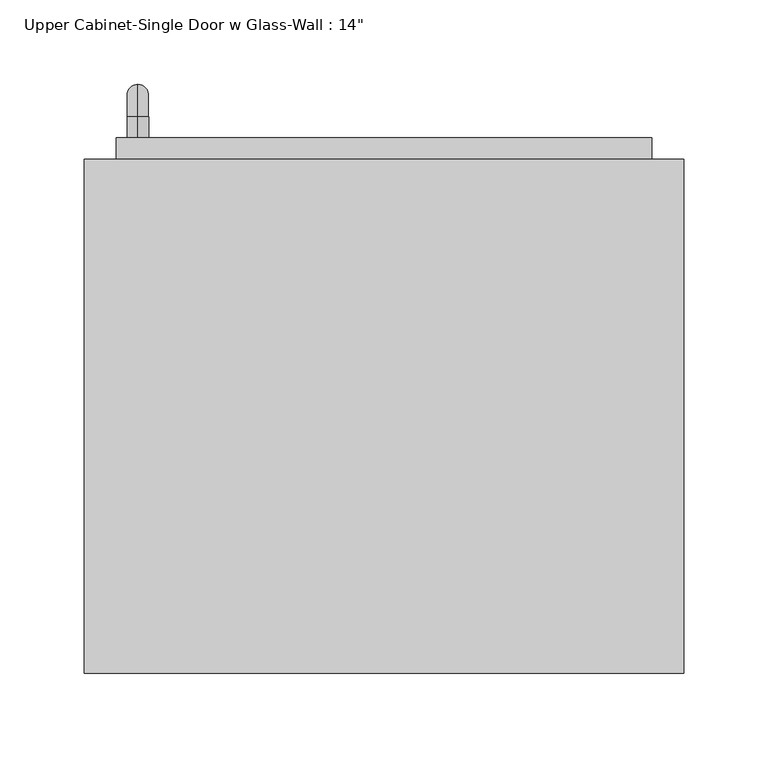
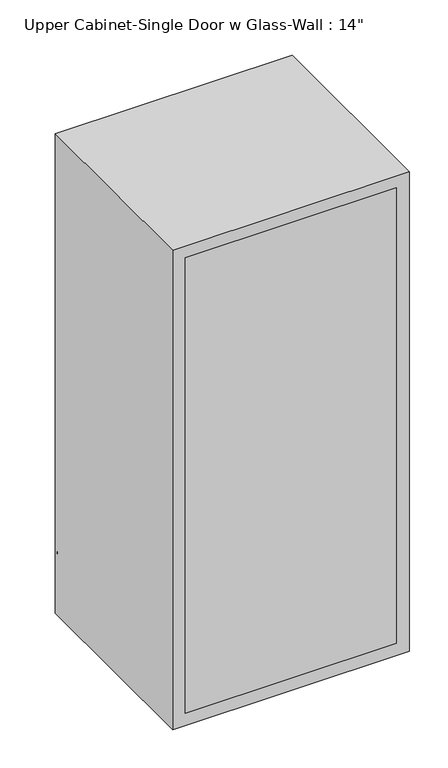
"""IFC4 building model written with IfcOpenShell, lengths in millimetres: furniture geometry."""

from ifc_helpers import new_model, si_unit, point, frame, origin, place, context, project, spatial, polyline, circle_curve, ellipse_curve, trimmed, outline, extrude, source, transform, mapped, element, save
from ifc_brep_helpers import plane_surface, cylinder_surface, revolved_surface, advanced_brep


def furniture_8da2b1da(model_context):
    return source(origin(), model_context, "Body", "SolidModel", [
        advanced_brep(
        [(-116.2788372, 387.35, 1517.65), (-116.2788372, 387.35, 1530.35), (-116.2788372, 400.05, 1517.65), (-116.2788372, 400.05, 1530.35), (-116.2788372, 419.1, 1511.3), (-116.2788372, 406.4, 1511.3), (-116.2788372, 406.4, 1435.1), (-116.2788372, 419.1, 1435.1), (-116.2788372, 400.05, 1416.05), (-116.2788372, 400.05, 1428.75), (-116.2788372, 387.35, 1428.75), (-116.2788372, 387.35, 1416.05)],
        [
            (0, 1, circle_curve(frame((-116.2788372, 387.35, 1524.0), z_axis=(0.0, -1.0, 0.0), x_axis=(0.0, 0.0, 1.0)), 6.35)),
            (1, 0, circle_curve(frame((-116.2788372, 387.35, 1524.0), z_axis=(0.0, -1.0, 0.0), x_axis=(0.0, 0.0, 1.0)), 6.35)),
            (0, 2),
            (2, 3, circle_curve(frame((-116.2788372, 400.05, 1524.0), z_axis=(0.0, -1.0, 0.0), x_axis=(0.0, 0.0, 1.0)), 6.35)),
            (3, 1),
            (3, 2, circle_curve(frame((-116.2788372, 400.05, 1524.0), z_axis=(0.0, -1.0, 0.0), x_axis=(0.0, 0.0, 1.0)), 6.35)),
            (4, 3, circle_curve(frame((-116.2788372, 400.05, 1511.3), z_axis=(1.0, 0.0, 0.0), x_axis=(0.0, 0.0, 1.0)), 19.05)),
            (2, 5, circle_curve(frame((-116.2788372, 400.05, 1511.3), z_axis=(-1.0, 0.0, 0.0), x_axis=(0.0, 0.0, 1.0)), 6.35)),
            (5, 4, circle_curve(frame((-116.2788372, 412.75, 1511.3), z_axis=(0.0, 0.0, 1.0), x_axis=(0.0, 1.0, 0.0)), 6.35)),
            (4, 5, circle_curve(frame((-116.2788372, 412.75, 1511.3), z_axis=(0.0, 0.0, 1.0), x_axis=(0.0, 1.0, 0.0)), 6.35)),
            (5, 6),
            (6, 7, circle_curve(frame((-116.2788372, 412.75, 1435.1), z_axis=(0.0, 0.0, 1.0), x_axis=(0.0, 1.0, 0.0)), 6.35)),
            (7, 4),
            (7, 6, circle_curve(frame((-116.2788372, 412.75, 1435.1), z_axis=(0.0, 0.0, 1.0), x_axis=(0.0, 1.0, 0.0)), 6.35)),
            (8, 7, circle_curve(frame((-116.2788372, 400.05, 1435.1), z_axis=(1.0, 0.0, 0.0), x_axis=(0.0, 1.0, 0.0)), 19.05)),
            (6, 9, circle_curve(frame((-116.2788372, 400.05, 1435.1), z_axis=(-1.0, 0.0, 0.0), x_axis=(0.0, 1.0, 0.0)), 6.35)),
            (9, 8, circle_curve(frame((-116.2788372, 400.05, 1422.4), z_axis=(0.0, 1.0, 0.0), x_axis=(0.0, 0.0, -1.0)), 6.35)),
            (8, 9, circle_curve(frame((-116.2788372, 400.05, 1422.4), z_axis=(0.0, 1.0, 0.0), x_axis=(0.0, 0.0, -1.0)), 6.35)),
            (10, 11, circle_curve(frame((-116.2788372, 387.35, 1422.4), z_axis=(0.0, -1.0, 0.0), x_axis=(0.0, 0.0, -1.0)), 6.35)),
            (11, 10, circle_curve(frame((-116.2788372, 387.35, 1422.4), z_axis=(0.0, -1.0, 0.0), x_axis=(0.0, 0.0, -1.0)), 6.35)),
            (9, 10),
            (11, 8),
        ],
        [
            plane_surface(frame((-122.6288372, 387.35, 1524.0), z_axis=(0.0, -1.0, 0.0), x_axis=(0.0, 0.0, 1.0))),
            cylinder_surface(frame((-116.2788372, 387.35, 1524.0), z_axis=(0.0, -1.0, 0.0), x_axis=(0.0, 0.0, 1.0)), 6.35),
            revolved_surface(trimmed(ellipse_curve(frame((-116.2788372, 400.05, 1524.0), z_axis=(0.0, -1.0, 0.0), x_axis=(0.0, 0.0, 1.0)), 6.35, 6.35), [point((-116.2788372, 400.05, 1517.65))], [point((-116.2788372, 400.05, 1530.35))], True, "CARTESIAN"), (-116.2788372, 400.05, 1511.3), (-1.0, 0.0, 0.0)),
            revolved_surface(trimmed(ellipse_curve(frame((-116.2788372, 400.05, 1524.0), z_axis=(0.0, -1.0, 0.0), x_axis=(0.0, 0.0, 1.0)), 6.35, 6.35), [point((-116.2788372, 400.05, 1530.35))], [point((-116.2788372, 400.05, 1517.65))], True, "CARTESIAN"), (-116.2788372, 400.05, 1511.3), (-1.0, 0.0, 0.0)),
            cylinder_surface(frame((-116.2788372, 412.75, 1511.3), z_axis=(0.0, 0.0, 1.0), x_axis=(0.0, 1.0, 0.0)), 6.35),
            revolved_surface(trimmed(ellipse_curve(frame((-116.2788372, 412.75, 1435.1), z_axis=(0.0, 0.0, 1.0), x_axis=(0.0, 1.0, 0.0)), 6.35, 6.35), [point((-116.2788372, 406.4, 1435.1))], [point((-116.2788372, 419.1, 1435.1))], True, "CARTESIAN"), (-116.2788372, 400.05, 1435.1), (-1.0, 0.0, 0.0)),
            revolved_surface(trimmed(ellipse_curve(frame((-116.2788372, 412.75, 1435.1), z_axis=(0.0, 0.0, 1.0), x_axis=(0.0, 1.0, 0.0)), 6.35, 6.35), [point((-116.2788372, 419.1, 1435.1))], [point((-116.2788372, 406.4, 1435.1))], True, "CARTESIAN"), (-116.2788372, 400.05, 1435.1), (-1.0, 0.0, 0.0)),
            plane_surface(frame((-122.6288372, 387.35, 1422.4), z_axis=(0.0, -1.0, 0.0), x_axis=(0.0, 0.0, -1.0))),
            cylinder_surface(frame((-116.2788372, 400.05, 1422.4), z_axis=(0.0, 1.0, 0.0), x_axis=(0.0, 0.0, -1.0)), 6.35),
        ],
        [
            (0, [[1, 2]]),
            (1, [[-1, 3, 4, 5]]),
            (1, [[-2, -5, 6, -3]]),
            (2, [[7, -4, 8, 9]]),
            (3, [[-8, -6, -7, 10]]),
            (4, [[-9, 11, 12, 13]]),
            (4, [[-10, -13, 14, -11]]),
            (5, [[15, -12, 16, 17]]),
            (6, [[-16, -14, -15, 18]]),
            (7, [[19, 20]]),
            (8, [[-17, 21, -20, 22]]),
            (8, [[-18, -22, -19, -21]]),
        ],
    ),
        extrude(outline(polyline([(-97.2288372, 368.3), (156.7711628, 368.3), (156.7711628, 361.95), (-97.2288372, 361.95), (-97.2288372, 368.3)])), frame((0.0, 0.0, 1422.4), z_axis=(0.0, 0.0, 1.0), x_axis=(1.0, 0.0, 0.0)), (0.0, 0.0, 1.0), 660.4),
        extrude(outline(polyline([(2114.55, -128.9788372), (1390.65, -128.9788372), (1390.65, 188.5211628), (2114.55, 188.5211628), (2114.55, -128.9788372)]), holes=[polyline([(1422.4, -97.2288372), (2082.8, -97.2288372), (2082.8, 156.7711628), (1422.4, 156.7711628), (1422.4, -97.2288372)])]), frame((0.0, 355.6, 0.0), z_axis=(0.0, 1.0, 0.0), x_axis=(0.0, 0.0, 1.0)), (0.0, 0.0, 1.0), 31.75),
        extrude(outline(polyline([(188.5211628, 69.85), (-128.9788372, 69.85), (-128.9788372, 88.9), (188.5211628, 88.9), (188.5211628, 69.85)])), frame((0.0, 0.0, 1390.65), z_axis=(0.0, 0.0, 1.0), x_axis=(1.0, 0.0, 0.0)), (0.0, 0.0, 1.0), 723.9),
        extrude(outline(polyline([(2133.6, -148.0288372), (1371.6, -148.0288372), (1371.6, 207.5711628), (2133.6, 207.5711628), (2133.6, -148.0288372)]), holes=[polyline([(2114.55, -128.9788372), (2114.55, 188.5211628), (1390.65, 188.5211628), (1390.65, -128.9788372), (2114.55, -128.9788372)])]), frame((0.0, 69.85, 0.0), z_axis=(0.0, 1.0, 0.0), x_axis=(0.0, 0.0, 1.0)), (0.0, 0.0, 1.0), 304.8),
    ])


if __name__ == "__main__":
    model = new_model("IFC4")
    model_context = context("Model", 3, world=origin())
    ifc_project = project(units=[si_unit("LENGTHUNIT", "METRE", prefix="MILLI")], contexts=[model_context])
    site = spatial("IfcSite", under=ifc_project)
    building = spatial("IfcBuilding", under=site)
    placement = place(None, origin())
    furniture_shape = furniture_8da2b1da(model_context)
    element("IfcFurniture", 1, ObjectType="Upper Cabinet-Single Door w Glass-Wall : 14\"", at=placement, inside=building, context=model_context, shape_type="MappedRepresentation", body=[
        mapped(furniture_shape, transform((0.0, 0.0, 0.0), x_axis=(1.0, 0.0, 0.0), y_axis=(0.0, 1.0, 0.0), z_axis=(0.0, 0.0, 1.0))),
    ])
    save(model, "model.ifc")
